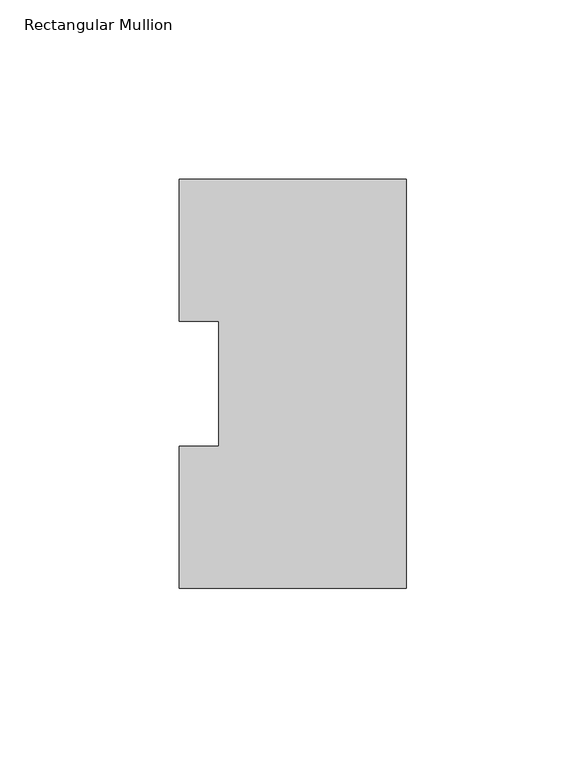
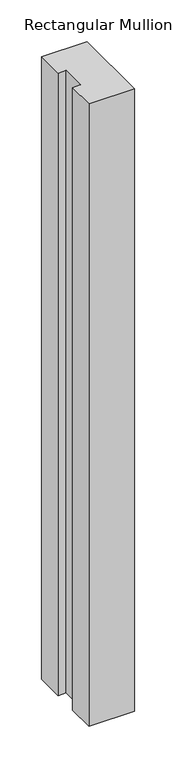
"""IFC4 building model written with IfcOpenShell, lengths in millimetres: member geometry, Rectangular Mullion."""

from ifc_helpers import new_model, si_unit, frame, origin, place, context, project, spatial, polyline, outline, extrude, source, transform, mapped, element, save


def rectangular_mullion_c3049aff(model_context):
    return source(origin(), model_context, "Body", "SweptSolid", [
        extrude(outline(polyline([(-63.5, 114.271425), (0.0, 114.271425), (0.0, -0.028575), (-63.5, -0.028575), (-63.5, 39.646225), (-52.3875, 39.646225), (-52.3875, 74.596625), (-63.5, 74.596625), (-63.5, 114.271425)])), frame((0.0, 0.0, -914.4), z_axis=(0.0, 0.0, 1.0), x_axis=(1.0, 0.0, 0.0)), (0.0, 0.0, 1.0), 914.4),
    ])


if __name__ == "__main__":
    model = new_model("IFC4")
    model_context = context("Model", 3, world=origin())
    ifc_project = project(units=[si_unit("LENGTHUNIT", "METRE", prefix="MILLI")], contexts=[model_context])
    site = spatial("IfcSite", under=ifc_project)
    building = spatial("IfcBuilding", under=site)
    placement = place(None, origin())
    rectangular_mullion_shape = rectangular_mullion_c3049aff(model_context)
    element("IfcMember", 1, ObjectType="Rectangular Mullion", at=placement, inside=building, context=model_context, shape_type="MappedRepresentation", body=[
        mapped(rectangular_mullion_shape, transform((0.0, 0.0, 0.0), x_axis=(1.0, 0.0, 0.0), y_axis=(0.0, 1.0, 0.0), z_axis=(0.0, 0.0, 1.0))),
    ])
    save(model, "model.ifc")
